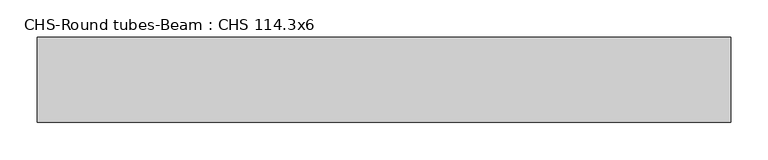
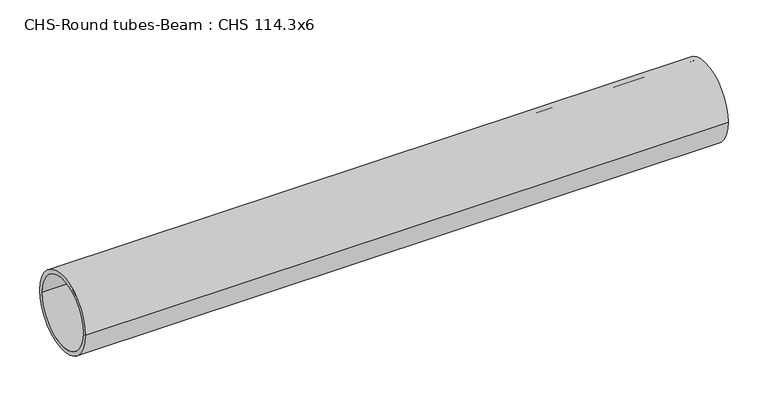
"""IFC4 building model written with IfcOpenShell, lengths in millimetres: beam geometry, CHS-Round tubes-Beam : CHS 114.3x6."""

from ifc_helpers import new_model, si_unit, point, frame, origin, origin_2d, place, context, project, spatial, circle_curve, trimmed, segment, composite_curve, outline, extrude, source, transform, mapped, element, save


def chs_round_tubes_beam_chs_114_3x6_2abd04eb(model_context):
    return source(origin(), model_context, "Body", "SweptSolid", [
        extrude(outline(composite_curve([segment(trimmed(circle_curve(origin_2d(), 57.15), [point((57.15, 0.0))], [point((-57.15, 0.0))], False, "CARTESIAN"), True, "CONTINUOUS"), segment(trimmed(circle_curve(origin_2d(), 57.15), [point((-57.15, 0.0))], [point((57.15, 0.0))], False, "CARTESIAN"), True, "CONTINUOUS")], self_intersect=False), holes=[composite_curve([segment(trimmed(circle_curve(origin_2d(), 51.15), [point((51.15, 0.0))], [point((-51.15, 0.0))], True, "CARTESIAN"), True, "CONTINUOUS"), segment(trimmed(circle_curve(origin_2d(), 51.15), [point((-51.15, 0.0))], [point((51.15, 0.0))], True, "CARTESIAN"), True, "CONTINUOUS")], self_intersect=False)]), frame((-470.9759938, 0.0, 0.0), z_axis=(1.0, 0.0, 0.0), x_axis=(0.0, 1.0, 0.0)), (0.0, 0.0, 1.0), 930.6518242),
    ])


if __name__ == "__main__":
    model = new_model("IFC4")
    model_context = context("Model", 3, world=origin())
    ifc_project = project(units=[si_unit("LENGTHUNIT", "METRE", prefix="MILLI")], contexts=[model_context])
    site = spatial("IfcSite", under=ifc_project)
    building = spatial("IfcBuilding", under=site)
    placement = place(None, origin())
    chs_round_tubes_beam_chs_114_3x6_shape = chs_round_tubes_beam_chs_114_3x6_2abd04eb(model_context)
    element("IfcBeam", 1, ObjectType="CHS-Round tubes-Beam : CHS 114.3x6", at=placement, inside=building, context=model_context, shape_type="MappedRepresentation", body=[
        mapped(chs_round_tubes_beam_chs_114_3x6_shape, transform((0.0, 0.0, 0.0), x_axis=(1.0, 0.0, 0.0), y_axis=(0.0, 1.0, 0.0), z_axis=(0.0, 0.0, 1.0))),
    ])
    save(model, "model.ifc")
